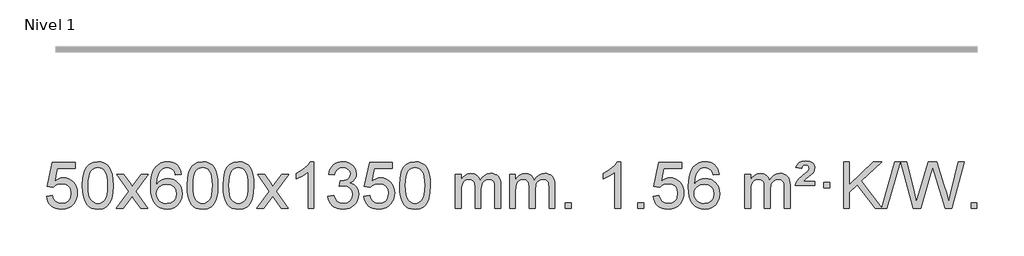
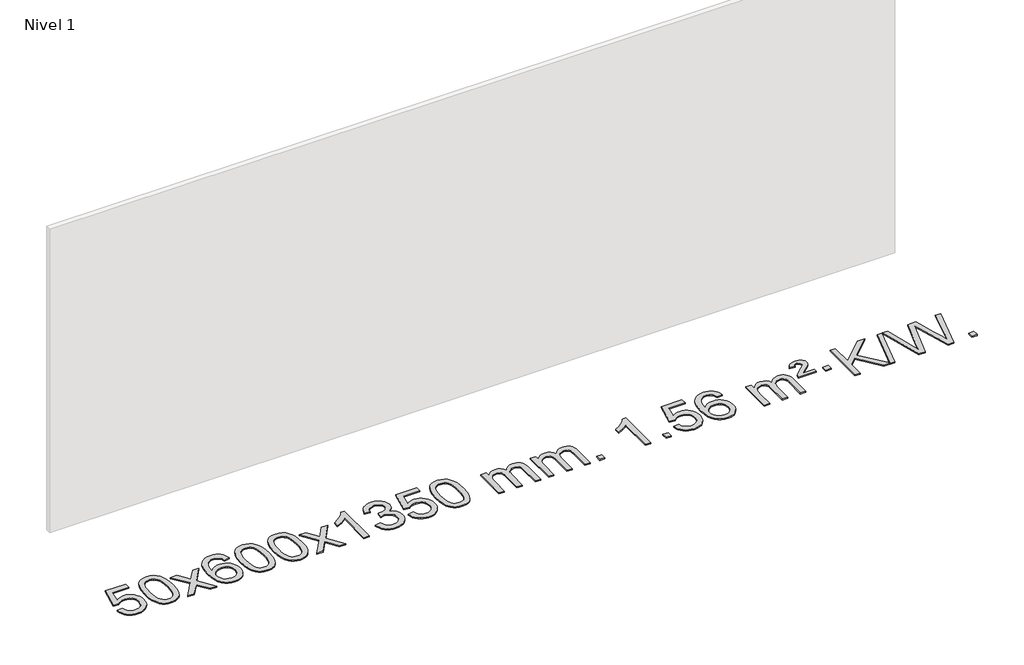
# One storey, part 13 of 18: 1 proxy.
"""IFC4 building model written with IfcOpenShell, lengths in millimetres."""

from ifc_helpers import new_model, si_unit, origin, origin_with_axes, place, context, project, spatial, polyline, outline, extrude, element, save

model = new_model("IFC4")

# Units and contexts
model_context = context("Model", 3, world=origin())
ifc_project = project(units=[si_unit("LENGTHUNIT", "METRE", prefix="MILLI")], contexts=[model_context])

# Site, building, storey
site = spatial("IfcSite", under=ifc_project)
building = spatial("IfcBuilding", under=site)
storey = spatial("IfcBuildingStorey", under=building, Name="Nivel 1", Elevation=0.0)

# Proxy
placement = place(None, origin())
element("IfcBuildingElementProxy", 1, Name="Texto de modelo 1", ObjectType="Texto de modelo 1", at=placement, inside=storey, context=model_context, shape_type="SweptSolid", body=[
    extrude(outline(polyline([(-13109.9934354, -284.8446235), (-13059.7652803, -278.5661041), (-13050.543705, -308.7201649), (-13034.454999, -330.3148381), (-13011.5727389, -343.3010725), (-12981.9705011, -347.6298173), (-12962.8406373, -346.1245668), (-12945.9671165, -341.6088153), (-12931.3499385, -334.0825628), (-12918.9891035, -323.5458094), (-12909.1605228, -310.519721), (-12902.1401081, -295.5254641), (-12896.5237763, -259.6324441), (-12901.7844888, -225.8363514), (-12908.3603795, -211.9181493), (-12917.5666264, -199.9865099), (-12929.4338865, -190.4154467), (-12943.9928164, -183.5789729), (-12981.1856861, -178.1097939), (-13005.5517369, -180.2925604), (-13025.2824746, -186.8408599), (-13041.0400868, -196.8717757), (-13053.4867609, -209.5023908), (-13103.714916, -203.2238715), (-13059.7652803, 3.9672682), (-12865.1311794, 3.9672682), (-12865.1311794, -46.2608869), (-13019.151108, -46.2608869), (-13040.6354166, -156.919791), (-13022.9096358, -144.2155994), (-13004.7546593, -135.1411769), (-12986.1704872, -129.6965234), (-12967.1571194, -127.8816388), (-12942.6960324, -130.1318504), (-12920.2276395, -136.882485), (-12899.7519408, -148.1335427), (-12881.2689362, -163.8850234), (-12865.9681109, -183.1743027), (-12855.03895, -205.038756), (-12848.4814534, -229.4783832), (-12846.2956212, -256.4931844), (-12848.2637899, -282.5147042), (-12854.1682959, -306.7213394), (-12864.0091393, -329.1130902), (-12877.78632, -349.6899565), (-12898.6574919, -370.7634634), (-12923.01128, -385.8159684), (-12950.8476843, -394.8474714), (-12982.1667048, -397.8579724), (-13008.087057, -395.9235262), (-13031.4996803, -390.1201877), (-13052.4045747, -380.447957), (-13070.8017402, -366.9068338), (-13086.1086968, -350.1712688), (-13097.7429649, -330.915712), (-13105.7045445, -309.1401636), (-13109.9934354, -284.8446235)])), origin_with_axes(), (0.0, 0.0, 1.0), 10.0),
    extrude(outline(polyline([(-12802.3459855, -193.9041943), (-12798.6549029, -129.5861588), (-12787.5816548, -78.2911459), (-12769.236606, -39.2343407), (-12757.378543, -24.0009605), (-12743.730121, -11.6309284), (-12728.2453547, -2.0598651), (-12710.8782588, 4.7766086), (-12670.4970785, 10.2457876), (-12639.5459399, 7.008426), (-12611.832163, -2.7036586), (-12588.6555973, -18.5103217), (-12571.3160926, -40.0314184), (-12558.2194935, -67.0830078), (-12547.7716449, -99.4811488), (-12540.9290398, -140.6226186), (-12538.6481714, -193.9041943), (-12542.3024659, -257.8543477), (-12553.2653493, -309.0267333), (-12571.5000336, -348.1203266), (-12583.3305054, -363.3996922), (-12596.9697304, -375.8341036), (-12612.4728908, -385.4695462), (-12629.8951689, -392.3520052), (-12670.4970785, -397.8579724), (-12698.1618045, -395.4667394), (-12722.6872709, -388.2930405), (-12744.0734775, -376.3368757), (-12762.3204245, -359.5982449), (-12779.8316074, -329.3399508), (-12792.3395953, -291.6381776), (-12799.844388, -246.4929255), (-12802.3459855, -193.9041943)]), holes=[polyline([(-12752.1178305, -193.8060924), (-12750.6463025, -237.4706195), (-12746.2317185, -272.8148822), (-12738.8740786, -299.8388804), (-12728.5733828, -318.5426142), (-12716.1144459, -331.2682656), (-12702.2820829, -340.3580165), (-12687.0762937, -345.8118671), (-12670.4970785, -347.6298173), (-12653.9178632, -345.8057357), (-12638.7120741, -340.3334911), (-12624.8797111, -331.2130833), (-12612.4207742, -318.4445124), (-12602.1200783, -299.7101217), (-12594.7624384, -272.6922549), (-12590.3478545, -237.3909118), (-12588.8763265, -193.8060924), (-12590.2988035, -151.2973278), (-12594.5662347, -116.5753989), (-12601.6786199, -89.6403055), (-12611.6359592, -70.4920476), (-12623.8864297, -57.1440625), (-12637.8782082, -47.6097875), (-12653.6112949, -41.8892225), (-12671.0856897, -39.9823675), (-12687.5790658, -41.6623619), (-12702.5273375, -46.7023452), (-12715.9305049, -55.1023175), (-12727.7885679, -66.8622786), (-12738.4326203, -87.708925), (-12746.0355148, -115.8151094), (-12750.5972516, -151.1808319), (-12752.1178305, -193.8060924)])]), origin_with_axes(), (0.0, 0.0, 1.0), 10.0),
    extrude(outline(polyline([(-12513.5340939, -391.579453), (-12406.2106531, -243.2494325), (-12507.2555745, -96.4890419), (-12446.8248254, -96.4890419), (-12398.0681983, -167.122385), (-12375.3085655, -200.4770192), (-12355.5900906, -173.2047007), (-12300.0644348, -96.4890419), (-12239.6336857, -96.4890419), (-12345.7799041, -243.2494325), (-12243.5577603, -391.579453), (-12303.9885094, -391.579453), (-12365.498379, -302.4048574), (-12376.7800935, -286.1199477), (-12453.1033448, -391.579453), (-12513.5340939, -391.579453)])), origin_with_axes(), (0.0, 0.0, 1.0), 10.0),
    extrude(outline(polyline([(-11954.7458687, -96.4890419), (-12004.9740237, -102.7675613), (-12013.0674276, -77.874213), (-12024.0057856, -60.8780648), (-12046.7899439, -45.2062918), (-12074.3320426, -39.9823675), (-12097.6802865, -43.0235253), (-12119.6551044, -52.1469988), (-12138.5274507, -71.3627017), (-12153.9417063, -97.8134171), (-12164.3527668, -135.227016), (-12168.2155277, -187.3313693), (-12148.0678571, -163.8237098), (-12123.9225355, -147.2567573), (-12097.1284635, -137.434308), (-12069.0345418, -134.1601582), (-12044.9014829, -136.398107), (-12022.6323595, -143.1119534), (-12002.2271715, -154.3016975), (-11983.6859189, -169.9673391), (-11968.2777947, -189.1769106), (-11957.2719917, -210.9984443), (-11950.6685099, -235.4319401), (-11948.4673493, -262.4773982), (-11952.6121531, -298.4439945), (-11965.0465645, -331.786366), (-11984.740514, -360.0642287), (-12010.6639319, -380.8372987), (-12041.6395959, -393.602804), (-12076.4902836, -397.8579724), (-12106.4328123, -395.0375437), (-12133.4752046, -386.5762579), (-12157.6174606, -372.4741147), (-12178.8595801, -352.7311143), (-12196.177625, -326.5133908), (-12208.5476571, -292.9870783), (-12215.9696764, -252.1521768), (-12218.4436828, -204.0086864), (-12215.6968306, -150.0342663), (-12207.4562739, -103.9693092), (-12193.7220127, -65.8138149), (-12174.4940471, -35.5677835), (-12153.6535321, -15.5243462), (-12129.4898164, -1.2076052), (-12102.0029, 7.3824394), (-12071.1927829, 10.2457876), (-12048.0591367, 8.4738227), (-12027.1205198, 3.1579278), (-12008.3769322, -5.7018969), (-11991.8283738, -18.1056515), (-11977.9224344, -33.6364031), (-11967.1067037, -51.8772186), (-11959.3811818, -72.8280983), (-11954.7458687, -96.4890419)]), holes=[polyline([(-12168.2155277, -261.6925832), (-12165.30926, -283.9494439), (-12156.5904567, -305.2007605), (-12143.0523993, -323.472233), (-12125.6883691, -336.7895612), (-12104.7313581, -344.9197533), (-12080.4143582, -347.6298173), (-12047.2681904, -342.0134855), (-12033.353054, -334.9930708), (-12021.2098825, -325.1644901), (-12011.359842, -312.9262824), (-12004.3240989, -298.6769865), (-11998.6955043, -264.1451299), (-12004.2505225, -230.9989621), (-12011.1942951, -217.3781312), (-12020.9155769, -205.725469), (-12033.0955366, -196.3904634), (-12047.4153432, -189.7226022), (-12082.4744974, -184.3883133), (-12115.5716142, -189.7226022), (-12143.248603, -205.725469), (-12154.1716326, -217.2248471), (-12161.9737965, -230.3858254), (-12166.6550949, -245.2084042), (-12168.2155277, -261.6925832)])]), origin_with_axes(), (0.0, 0.0, 1.0), 10.0),
    extrude(outline(polyline([(-11904.5177136, -193.9041943), (-11900.8266309, -129.5861588), (-11889.7533828, -78.2911459), (-11871.408334, -39.2343407), (-11859.550271, -24.0009605), (-11845.901849, -11.6309284), (-11830.4170827, -2.0598651), (-11813.0499869, 4.7766086), (-11772.6688065, 10.2457876), (-11741.717668, 7.008426), (-11714.003891, -2.7036586), (-11690.8273253, -18.5103217), (-11673.4878206, -40.0314184), (-11660.3912216, -67.0830078), (-11649.9433729, -99.4811488), (-11643.1007678, -140.6226186), (-11640.8198994, -193.9041943), (-11644.4741939, -257.8543477), (-11655.4370774, -309.0267333), (-11673.6717616, -348.1203266), (-11685.5022334, -363.3996922), (-11699.1414584, -375.8341036), (-11714.6446188, -385.4695462), (-11732.066897, -392.3520052), (-11772.6688065, -397.8579724), (-11800.3335326, -395.4667394), (-11824.8589989, -388.2930405), (-11846.2452055, -376.3368757), (-11864.4921525, -359.5982449), (-11882.0033355, -329.3399508), (-11894.5113233, -291.6381776), (-11902.016116, -246.4929255), (-11904.5177136, -193.9041943)]), holes=[polyline([(-11854.2895585, -193.8060924), (-11852.8180305, -237.4706195), (-11848.4034466, -272.8148822), (-11841.0458067, -299.8388804), (-11830.7451108, -318.5426142), (-11818.2861739, -331.2682656), (-11804.4538109, -340.3580165), (-11789.2480218, -345.8118671), (-11772.6688065, -347.6298173), (-11756.0895913, -345.8057357), (-11740.8838021, -340.3334911), (-11727.0514391, -331.2130833), (-11714.5925022, -318.4445124), (-11704.2918063, -299.7101217), (-11696.9341664, -272.6922549), (-11692.5195825, -237.3909118), (-11691.0480545, -193.8060924), (-11692.4705316, -151.2973278), (-11696.7379627, -116.5753989), (-11703.8503479, -89.6403055), (-11713.8076873, -70.4920476), (-11726.0581577, -57.1440625), (-11740.0499363, -47.6097875), (-11755.7830229, -41.8892225), (-11773.2574177, -39.9823675), (-11789.7507938, -41.6623619), (-11804.6990656, -46.7023452), (-11818.1022329, -55.1023175), (-11829.9602959, -66.8622786), (-11840.6043483, -87.708925), (-11848.2072429, -115.8151094), (-11852.7689796, -151.1808319), (-11854.2895585, -193.8060924)])]), origin_with_axes(), (0.0, 0.0, 1.0), 10.0),
    extrude(outline(polyline([(-11596.8702638, -193.9041943), (-11593.1791811, -129.5861588), (-11582.105933, -78.2911459), (-11563.7608842, -39.2343407), (-11551.9028212, -24.0009605), (-11538.2543992, -11.6309284), (-11522.7696329, -2.0598651), (-11505.402537, 4.7766086), (-11465.0213567, 10.2457876), (-11434.0702182, 7.008426), (-11406.3564412, -2.7036586), (-11383.1798755, -18.5103217), (-11365.8403708, -40.0314184), (-11352.7437718, -67.0830078), (-11342.2959231, -99.4811488), (-11335.453318, -140.6226186), (-11333.1724496, -193.9041943), (-11336.8267441, -257.8543477), (-11347.7896275, -309.0267333), (-11366.0243118, -348.1203266), (-11377.8547836, -363.3996922), (-11391.4940086, -375.8341036), (-11406.997169, -385.4695462), (-11424.4194471, -392.3520052), (-11465.0213567, -397.8579724), (-11492.6860827, -395.4667394), (-11517.2115491, -388.2930405), (-11538.5977557, -376.3368757), (-11556.8447027, -359.5982449), (-11574.3558856, -329.3399508), (-11586.8638735, -291.6381776), (-11594.3686662, -246.4929255), (-11596.8702638, -193.9041943)]), holes=[polyline([(-11546.6421087, -193.8060924), (-11545.1705807, -237.4706195), (-11540.7559968, -272.8148822), (-11533.3983568, -299.8388804), (-11523.097661, -318.5426142), (-11510.6387241, -331.2682656), (-11496.8063611, -340.3580165), (-11481.6005719, -345.8118671), (-11465.0213567, -347.6298173), (-11448.4421414, -345.8057357), (-11433.2363523, -340.3334911), (-11419.4039893, -331.2130833), (-11406.9450524, -318.4445124), (-11396.6443565, -299.7101217), (-11389.2867166, -272.6922549), (-11384.8721327, -237.3909118), (-11383.4006047, -193.8060924), (-11384.8230817, -151.2973278), (-11389.0905129, -116.5753989), (-11396.2028981, -89.6403055), (-11406.1602375, -70.4920476), (-11418.4107079, -57.1440625), (-11432.4024864, -47.6097875), (-11448.1355731, -41.8892225), (-11465.6099679, -39.9823675), (-11482.103344, -41.6623619), (-11497.0516157, -46.7023452), (-11510.4547831, -55.1023175), (-11522.3128461, -66.8622786), (-11532.9568985, -87.708925), (-11540.559793, -115.8151094), (-11545.1215298, -151.1808319), (-11546.6421087, -193.8060924)])]), origin_with_axes(), (0.0, 0.0, 1.0), 10.0),
    extrude(outline(polyline([(-11308.0583721, -391.579453), (-11200.7349313, -243.2494325), (-11301.7798527, -96.4890419), (-11241.3491036, -96.4890419), (-11192.5924765, -167.122385), (-11169.8328437, -200.4770192), (-11150.1143688, -173.2047007), (-11094.588713, -96.4890419), (-11034.1579639, -96.4890419), (-11140.3041823, -243.2494325), (-11038.0820385, -391.579453), (-11098.5127876, -391.579453), (-11160.0226572, -302.4048574), (-11171.3043717, -286.1199477), (-11247.627623, -391.579453), (-11308.0583721, -391.579453)])), origin_with_axes(), (0.0, 0.0, 1.0), 10.0),
    extrude(outline(polyline([(-10818.3338601, -391.579453), (-10868.5620152, -391.579453), (-10868.5620152, -78.4382987), (-10889.5312889, -95.3976587), (-10916.1414199, -112.3324932), (-10969.0183253, -137.6918254), (-10969.0183253, -90.2105225), (-10929.5691127, -68.7507395), (-10895.3928753, -43.219729), (-10868.4516506, -16.0700378), (-10850.7074757, 10.2457876), (-10818.3338601, 10.2457876), (-10818.3338601, -391.579453)])), origin_with_axes(), (0.0, 0.0, 1.0), 10.0),
    extrude(outline(polyline([(-10699.0419918, -284.8446235), (-10648.8138367, -278.5661041), (-10637.5689104, -310.1303793), (-10621.1000597, -331.4430095), (-10598.5979444, -343.5831154), (-10569.2532239, -347.6298173), (-10534.8194691, -342.0625364), (-10520.5456477, -335.1034354), (-10508.2338636, -325.3606939), (-10491.2377154, -300.4428201), (-10485.5723327, -270.2274455), (-10491.1886645, -241.5449126), (-10508.0376599, -218.2825078), (-10533.5441449, -202.8682522), (-10565.1329455, -197.730167), (-10600.3515152, -203.2238715), (-10594.7597089, -152.9957164), (-10586.7153559, -153.5843276), (-10556.6226087, -149.979084), (-10529.7181721, -139.1633534), (-10518.6449241, -130.9841103), (-10510.7354612, -120.8673555), (-10505.9897835, -108.8130888), (-10504.4078909, -94.8213102), (-10508.9941531, -73.1285352), (-10522.7529397, -55.5315131), (-10543.7467389, -43.8696539), (-10570.0380388, -39.9823675), (-10596.3783897, -43.9064421), (-10617.9117491, -55.6786659), (-10633.632573, -75.299039), (-10642.5353173, -102.7675613), (-10692.7634724, -96.4890419), (-10686.8099154, -72.5092672), (-10677.9746162, -51.3867093), (-10666.2575747, -33.1213683), (-10651.6587908, -17.713244), (-10634.6381172, -5.4811677), (-10615.6554062, 3.2560297), (-10594.710658, 8.4983481), (-10571.8038724, 10.2457876), (-10540.2273345, 6.7999596), (-10511.2259705, -3.5375245), (-10486.7740806, -19.8469596), (-10468.8459647, -41.2086408), (-10457.846293, -65.8199463), (-10454.1797358, -91.8782543), (-10457.662352, -116.1584659), (-10468.1102007, -138.1823347), (-10485.376129, -156.9443165), (-10509.3129841, -171.4388671), (-10477.8713363, -184.1430586), (-10454.5721433, -205.77452), (-10440.151169, -235.1560286), (-10435.3441776, -271.1103623), (-10437.7476733, -296.5923218), (-10444.9581605, -320.0631931), (-10456.975639, -341.5229762), (-10473.8001089, -360.971671), (-10494.2972674, -377.1094278), (-10517.3328116, -388.636397), (-10542.9067417, -395.5525785), (-10571.0190575, -397.8579724), (-10596.4274406, -395.8898037), (-10619.5794808, -389.9852977), (-10640.4751782, -380.1444543), (-10659.1145326, -366.3672736), (-10674.743386, -349.4630959), (-10686.6075804, -330.2412617), (-10694.7071156, -308.7017708), (-10699.0419918, -284.8446235)])), origin_with_axes(), (0.0, 0.0, 1.0), 10.0),
    extrude(outline(polyline([(-10391.394542, -284.8446235), (-10341.1663869, -278.5661041), (-10331.9448115, -308.7201649), (-10315.8561056, -330.3148381), (-10292.9738455, -343.3010725), (-10263.3716076, -347.6298173), (-10244.2417439, -346.1245668), (-10227.368223, -341.6088153), (-10212.7510451, -334.0825628), (-10200.3902101, -323.5458094), (-10190.5616294, -310.519721), (-10183.5412147, -295.5254641), (-10177.9248829, -259.6324441), (-10183.1855954, -225.8363514), (-10189.7614861, -211.9181493), (-10198.967733, -199.9865099), (-10210.834993, -190.4154467), (-10225.393923, -183.5789729), (-10262.5867927, -178.1097939), (-10286.9528435, -180.2925604), (-10306.6835812, -186.8408599), (-10322.4411933, -196.8717757), (-10334.8878675, -209.5023908), (-10385.1160226, -203.2238715), (-10341.1663869, 3.9672682), (-10146.532286, 3.9672682), (-10146.532286, -46.2608869), (-10300.5522146, -46.2608869), (-10322.0365231, -156.919791), (-10304.3107423, -144.2155994), (-10286.1557659, -135.1411769), (-10267.5715937, -129.6965234), (-10248.558226, -127.8816388), (-10224.097139, -130.1318504), (-10201.6287461, -136.882485), (-10181.1530474, -148.1335427), (-10162.6700428, -163.8850234), (-10147.3692175, -183.1743027), (-10136.4400566, -205.038756), (-10129.88256, -229.4783832), (-10127.6967278, -256.4931844), (-10129.6648965, -282.5147042), (-10135.5694025, -306.7213394), (-10145.4102459, -329.1130902), (-10159.1874266, -349.6899565), (-10180.0585985, -370.7634634), (-10204.4123865, -385.8159684), (-10232.2487908, -394.8474714), (-10263.5678114, -397.8579724), (-10289.4881636, -395.9235262), (-10312.9007869, -390.1201877), (-10333.8056813, -380.447957), (-10352.2028467, -366.9068338), (-10367.5098034, -350.1712688), (-10379.1440715, -330.915712), (-10387.105651, -309.1401636), (-10391.394542, -284.8446235)])), origin_with_axes(), (0.0, 0.0, 1.0), 10.0),
    extrude(outline(polyline([(-10083.7470921, -193.9041943), (-10080.0560094, -129.5861588), (-10068.9827614, -78.2911459), (-10050.6377126, -39.2343407), (-10038.7796496, -24.0009605), (-10025.1312276, -11.6309284), (-10009.6464612, -2.0598651), (-9992.2793654, 4.7766086), (-9951.8981851, 10.2457876), (-9920.9470465, 7.008426), (-9893.2332696, -2.7036586), (-9870.0567039, -18.5103217), (-9852.7171992, -40.0314184), (-9839.6206001, -67.0830078), (-9829.1727515, -99.4811488), (-9822.3301463, -140.6226186), (-9820.049278, -193.9041943), (-9823.7035725, -257.8543477), (-9834.6664559, -309.0267333), (-9852.9011401, -348.1203266), (-9864.731612, -363.3996922), (-9878.3708369, -375.8341036), (-9893.8739974, -385.4695462), (-9911.2962755, -392.3520052), (-9951.8981851, -397.8579724), (-9979.5629111, -395.4667394), (-10004.0883774, -388.2930405), (-10025.4745841, -376.3368757), (-10043.721531, -359.5982449), (-10061.232714, -329.3399508), (-10073.7407019, -291.6381776), (-10081.2454946, -246.4929255), (-10083.7470921, -193.9041943)]), holes=[polyline([(-10033.518937, -193.8060924), (-10032.0474091, -237.4706195), (-10027.6328251, -272.8148822), (-10020.2751852, -299.8388804), (-10009.9744894, -318.5426142), (-9997.5155525, -331.2682656), (-9983.6831894, -340.3580165), (-9968.4774003, -345.8118671), (-9951.8981851, -347.6298173), (-9935.3189698, -345.8057357), (-9920.1131807, -340.3334911), (-9906.2808176, -331.2130833), (-9893.8218807, -318.4445124), (-9883.5211849, -299.7101217), (-9876.163545, -272.6922549), (-9871.748961, -237.3909118), (-9870.2774331, -193.8060924), (-9871.6999101, -151.2973278), (-9875.9673412, -116.5753989), (-9883.0797265, -89.6403055), (-9893.0370658, -70.4920476), (-9905.2875363, -57.1440625), (-9919.2793148, -47.6097875), (-9935.0124015, -41.8892225), (-9952.4867962, -39.9823675), (-9968.9801724, -41.6623619), (-9983.9284441, -46.7023452), (-9997.3316115, -55.1023175), (-10009.1896744, -66.8622786), (-10019.8337268, -87.708925), (-10027.4366214, -115.8151094), (-10031.9983581, -151.1808319), (-10033.518937, -193.8060924)])]), origin_with_axes(), (0.0, 0.0, 1.0), 10.0),
    extrude(outline(polyline([(-9606.5796189, -391.579453), (-9606.5796189, -96.4890419), (-9556.3514638, -96.4890419), (-9556.3514638, -145.0494653), (-9541.2437766, -122.7435537), (-9521.8196072, -105.2691589), (-9498.7411434, -93.9751816), (-9472.6705727, -90.2105225), (-9444.7360665, -94.048758), (-9422.3443157, -105.5634645), (-9405.6179477, -123.9943524), (-9394.6795897, -148.5811324), (-9376.3713291, -123.0439906), (-9355.4878945, -104.803175), (-9332.0292859, -93.8586857), (-9305.9955034, -90.2105225), (-9285.8876867, -91.7280358), (-9268.2385479, -96.2805755), (-9253.0480872, -103.8681416), (-9240.3163045, -114.4907342), (-9230.2516663, -128.2709806), (-9223.0626389, -145.3315082), (-9218.7492225, -165.6723168), (-9217.3114171, -189.2934066), (-9217.3114171, -391.579453), (-9267.5395722, -391.579453), (-9267.5395722, -210.875817), (-9268.7045318, -185.8230531), (-9272.1994108, -168.9372695), (-9278.7477103, -157.3735121), (-9289.0729316, -148.2868268), (-9302.3534716, -142.4007149), (-9317.7677272, -140.4386776), (-9344.9787321, -145.4663982), (-9367.1620165, -160.54956), (-9375.7673895, -172.1194488), (-9381.9140845, -186.7182326), (-9386.8314405, -225.0024856), (-9386.8314405, -391.579453), (-9437.0595955, -391.579453), (-9437.0595955, -205.2840106), (-9439.9658633, -176.8835206), (-9448.6846666, -156.6254854), (-9464.0253458, -144.4853796), (-9486.7972413, -140.4386776), (-9506.1478342, -143.1364789), (-9523.9778483, -151.2298828), (-9538.6931281, -164.5226856), (-9548.6995183, -182.8186835), (-9554.4384775, -208.2025411), (-9556.3514638, -242.7589232), (-9556.3514638, -391.579453), (-9606.5796189, -391.579453)])), origin_with_axes(), (0.0, 0.0, 1.0), 10.0),
    extrude(outline(polyline([(-9141.9691845, -391.579453), (-9141.9691845, -96.4890419), (-9091.7410294, -96.4890419), (-9091.7410294, -145.0494653), (-9076.6333421, -122.7435537), (-9057.2091728, -105.2691589), (-9034.130709, -93.9751816), (-9008.0601382, -90.2105225), (-8980.1256321, -94.048758), (-8957.7338813, -105.5634645), (-8941.0075132, -123.9943524), (-8930.0691552, -148.5811324), (-8911.7608946, -123.0439906), (-8890.87746, -104.803175), (-8867.4188515, -93.8586857), (-8841.3850689, -90.2105225), (-8821.2772522, -91.7280358), (-8803.6281135, -96.2805755), (-8788.4376528, -103.8681416), (-8775.7058701, -114.4907342), (-8765.6412318, -128.2709806), (-8758.4522045, -145.3315082), (-8754.1387881, -165.6723168), (-8752.7009826, -189.2934066), (-8752.7009826, -391.579453), (-8802.9291377, -391.579453), (-8802.9291377, -210.875817), (-8804.0940974, -185.8230531), (-8807.5889763, -168.9372695), (-8814.1372758, -157.3735121), (-8824.4624972, -148.2868268), (-8837.7430372, -142.4007149), (-8853.1572928, -140.4386776), (-8880.3682977, -145.4663982), (-8902.551582, -160.54956), (-8911.156955, -172.1194488), (-8917.30365, -186.7182326), (-8922.221006, -225.0024856), (-8922.221006, -391.579453), (-8972.4491611, -391.579453), (-8972.4491611, -205.2840106), (-8975.3554289, -176.8835206), (-8984.0742321, -156.6254854), (-8999.4149113, -144.4853796), (-9022.1868068, -140.4386776), (-9041.5373998, -143.1364789), (-9059.3674138, -151.2298828), (-9074.0826936, -164.5226856), (-9084.0890839, -182.8186835), (-9089.828043, -208.2025411), (-9091.7410294, -242.7589232), (-9091.7410294, -391.579453), (-9141.9691845, -391.579453)])), origin_with_axes(), (0.0, 0.0, 1.0), 10.0),
    extrude(outline(polyline([(-8664.8017113, -391.579453), (-8664.8017113, -341.3512979), (-8614.5735562, -341.3512979), (-8614.5735562, -391.579453), (-8664.8017113, -391.579453)])), origin_with_axes(), (0.0, 0.0, 1.0), 10.0),
    extrude(outline(polyline([(-8187.634238, -391.579453), (-8237.8623931, -391.579453), (-8237.8623931, -78.4382987), (-8258.8316668, -95.3976587), (-8285.4417978, -112.3324932), (-8338.3187033, -137.6918254), (-8338.3187033, -90.2105225), (-8298.8694907, -68.7507395), (-8264.6932533, -43.219729), (-8237.7520285, -16.0700378), (-8220.0078536, 10.2457876), (-8187.634238, 10.2457876), (-8187.634238, -391.579453)])), origin_with_axes(), (0.0, 0.0, 1.0), 10.0),
    extrude(outline(polyline([(-8043.2282922, -391.579453), (-8043.2282922, -341.3512979), (-7993.0001371, -341.3512979), (-7993.0001371, -391.579453), (-8043.2282922, -391.579453)])), origin_with_axes(), (0.0, 0.0, 1.0), 10.0),
    extrude(outline(polyline([(-7911.3793851, -284.8446235), (-7861.1512301, -278.5661041), (-7851.9296547, -308.7201649), (-7835.8409488, -330.3148381), (-7812.9586887, -343.3010725), (-7783.3564508, -347.6298173), (-7764.2265871, -346.1245668), (-7747.3530662, -341.6088153), (-7732.7358883, -334.0825628), (-7720.3750532, -323.5458094), (-7710.5464726, -310.519721), (-7703.5260579, -295.5254641), (-7697.9097261, -259.6324441), (-7703.1704386, -225.8363514), (-7709.7463293, -211.9181493), (-7718.9525762, -199.9865099), (-7730.8198362, -190.4154467), (-7745.3787662, -183.5789729), (-7782.5716359, -178.1097939), (-7806.9376867, -180.2925604), (-7826.6684244, -186.8408599), (-7842.4260365, -196.8717757), (-7854.8727107, -209.5023908), (-7905.1008658, -203.2238715), (-7861.1512301, 3.9672682), (-7666.5171291, 3.9672682), (-7666.5171291, -46.2608869), (-7820.5370578, -46.2608869), (-7842.0213663, -156.919791), (-7824.2955855, -144.2155994), (-7806.1406091, -135.1411769), (-7787.5564369, -129.6965234), (-7768.5430691, -127.8816388), (-7744.0819821, -130.1318504), (-7721.6135893, -136.882485), (-7701.1378906, -148.1335427), (-7682.654886, -163.8850234), (-7667.3540607, -183.1743027), (-7656.4248997, -205.038756), (-7649.8674032, -229.4783832), (-7647.681571, -256.4931844), (-7649.6497397, -282.5147042), (-7655.5542457, -306.7213394), (-7665.3950891, -329.1130902), (-7679.1722698, -349.6899565), (-7700.0434416, -370.7634634), (-7724.3972297, -385.8159684), (-7752.233634, -394.8474714), (-7783.5526545, -397.8579724), (-7809.4730068, -395.9235262), (-7832.8856301, -390.1201877), (-7853.7905245, -380.447957), (-7872.1876899, -366.9068338), (-7887.4946466, -350.1712688), (-7899.1289147, -330.915712), (-7907.0904942, -309.1401636), (-7911.3793851, -284.8446235)])), origin_with_axes(), (0.0, 0.0, 1.0), 10.0),
    extrude(outline(polyline([(-7346.3126405, -96.4890419), (-7396.5407956, -102.7675613), (-7404.6341995, -77.874213), (-7415.5725575, -60.8780648), (-7438.3567157, -45.2062918), (-7465.8988144, -39.9823675), (-7489.2470584, -43.0235253), (-7511.2218763, -52.1469988), (-7530.0942226, -71.3627017), (-7545.5084782, -97.8134171), (-7555.9195387, -135.227016), (-7559.7822996, -187.3313693), (-7539.634629, -163.8237098), (-7515.4893074, -147.2567573), (-7488.6952354, -137.434308), (-7460.6013137, -134.1601582), (-7436.4682548, -136.398107), (-7414.1991314, -143.1119534), (-7393.7939434, -154.3016975), (-7375.2526908, -169.9673391), (-7359.8445666, -189.1769106), (-7348.8387636, -210.9984443), (-7342.2352818, -235.4319401), (-7340.0341212, -262.4773982), (-7344.178925, -298.4439945), (-7356.6133364, -331.786366), (-7376.3072859, -360.0642287), (-7402.2307038, -380.8372987), (-7433.2063678, -393.602804), (-7468.0570555, -397.8579724), (-7497.9995842, -395.0375437), (-7525.0419765, -386.5762579), (-7549.1842325, -372.4741147), (-7570.426352, -352.7311143), (-7587.7443969, -326.5133908), (-7600.114429, -292.9870783), (-7607.5364483, -252.1521768), (-7610.0104547, -204.0086864), (-7607.2636025, -150.0342663), (-7599.0230458, -103.9693092), (-7585.2887846, -65.8138149), (-7566.060819, -35.5677835), (-7545.220304, -15.5243462), (-7521.0565883, -1.2076052), (-7493.5696718, 7.3824394), (-7462.7595548, 10.2457876), (-7439.6259086, 8.4738227), (-7418.6872917, 3.1579278), (-7399.9437041, -5.7018969), (-7383.3951457, -18.1056515), (-7369.4892062, -33.6364031), (-7358.6734756, -51.8772186), (-7350.9479537, -72.8280983), (-7346.3126405, -96.4890419)]), holes=[polyline([(-7559.7822996, -261.6925832), (-7556.8760319, -283.9494439), (-7548.1572286, -305.2007605), (-7534.6191711, -323.472233), (-7517.255141, -336.7895612), (-7496.29813, -344.9197533), (-7471.9811301, -347.6298173), (-7438.8349623, -342.0134855), (-7424.9198259, -334.9930708), (-7412.7766543, -325.1644901), (-7402.9266139, -312.9262824), (-7395.8908708, -298.6769865), (-7390.2622762, -264.1451299), (-7395.8172944, -230.9989621), (-7402.761067, -217.3781312), (-7412.4823487, -205.725469), (-7424.6623085, -196.3904634), (-7438.9821151, -189.7226022), (-7474.0412693, -184.3883133), (-7507.1383861, -189.7226022), (-7534.8153749, -205.725469), (-7545.7384044, -217.2248471), (-7553.5405684, -230.3858254), (-7558.2218668, -245.2084042), (-7559.7822996, -261.6925832)])]), origin_with_axes(), (0.0, 0.0, 1.0), 10.0),
    extrude(outline(polyline([(-7126.5644621, -391.579453), (-7126.5644621, -96.4890419), (-7076.336307, -96.4890419), (-7076.336307, -145.0494653), (-7061.2286197, -122.7435537), (-7041.8044504, -105.2691589), (-7018.7259866, -93.9751816), (-6992.6554158, -90.2105225), (-6964.7209097, -94.048758), (-6942.3291589, -105.5634645), (-6925.6027909, -123.9943524), (-6914.6644329, -148.5811324), (-6896.3561722, -123.0439906), (-6875.4727377, -104.803175), (-6852.0141291, -93.8586857), (-6825.9803466, -90.2105225), (-6805.8725298, -91.7280358), (-6788.2233911, -96.2805755), (-6773.0329304, -103.8681416), (-6760.3011477, -114.4907342), (-6750.2365094, -128.2709806), (-6743.0474821, -145.3315082), (-6738.7340657, -165.6723168), (-6737.2962603, -189.2934066), (-6737.2962603, -391.579453), (-6787.5244153, -391.579453), (-6787.5244153, -210.875817), (-6788.689375, -185.8230531), (-6792.1842539, -168.9372695), (-6798.7325535, -157.3735121), (-6809.0577748, -148.2868268), (-6822.3383148, -142.4007149), (-6837.7525704, -140.4386776), (-6864.9635753, -145.4663982), (-6887.1468596, -160.54956), (-6895.7522326, -172.1194488), (-6901.8989276, -186.7182326), (-6906.8162836, -225.0024856), (-6906.8162836, -391.579453), (-6957.0444387, -391.579453), (-6957.0444387, -205.2840106), (-6959.9507065, -176.8835206), (-6968.6695098, -156.6254854), (-6984.010189, -144.4853796), (-7006.7820845, -140.4386776), (-7026.1326774, -143.1364789), (-7043.9626914, -151.2298828), (-7058.6779713, -164.5226856), (-7068.6843615, -182.8186835), (-7074.4233206, -208.2025411), (-7076.336307, -242.7589232), (-7076.336307, -391.579453), (-7126.5644621, -391.579453)])), origin_with_axes(), (0.0, 0.0, 1.0), 10.0),
    extrude(outline(polyline([(-6693.3466246, -190.6668327), (-6689.5206518, -174.8479069), (-6681.1819933, -158.9799302), (-6659.6731593, -133.8413272), (-6627.7164766, -106.1030247), (-6583.5706372, -68.726214), (-6576.4337265, -57.1992448), (-6574.0547563, -45.3779701), (-6575.9432172, -33.2869152), (-6581.6085999, -23.5012541), (-6590.977328, -17.026531), (-6603.9758252, -14.8682899), (-6616.4102366, -16.4869707), (-6625.26393, -21.343013), (-6631.6896022, -30.8098431), (-6636.8399501, -46.2608869), (-6687.0681052, -39.9823675), (-6676.2278491, -14.7701881), (-6659.5995829, 2.7900458), (-6635.834406, 13.0907417), (-6603.5834178, 16.524307), (-6567.8007624, 12.3917659), (-6543.0545668, -0.0058573), (-6528.6335926, -18.3386434), (-6523.8266012, -40.2766731), (-6527.9223541, -63.1834586), (-6540.2096127, -84.8149199), (-6560.737428, -104.6314968), (-6597.2067965, -132.6886303), (-6622.8113834, -159.2742358), (-6523.8266012, -159.2742358), (-6523.8266012, -190.6668327), (-6693.3466246, -190.6668327)])), origin_with_axes(), (0.0, 0.0, 1.0), 10.0),
    extrude(outline(polyline([(-6448.4843686, -215.7809102), (-6448.4843686, -165.5527552), (-6398.2562135, -165.5527552), (-6398.2562135, -215.7809102), (-6448.4843686, -215.7809102)])), origin_with_axes(), (0.0, 0.0, 1.0), 10.0),
    extrude(outline(polyline([(-6007.6145856, -391.579453), (-6161.045903, -188.9009991), (-6228.7361901, -253.4520265), (-6228.7361901, -391.579453), (-6278.9643452, -391.579453), (-6278.9643452, 10.2457876), (-6228.7361901, 10.2457876), (-6228.7361901, -186.4484525), (-6022.7222728, 10.2457876), (-5952.4813372, 10.2457876), (-6125.4349259, -154.9577537), (-5950.781316, -385.5349332), (-5839.4679883, 10.2457876), (-5794.1449265, 10.2457876), (-5907.1582754, -391.579453), (-5946.2028178, -391.579453), (-5952.4813372, -391.579453), (-6007.6145856, -391.579453)])), origin_with_axes(), (0.0, 0.0, 1.0), 10.0),
    extrude(outline(polyline([(-5679.6600496, -391.579453), (-5789.2398332, 10.2457876), (-5737.4420483, 10.2457876), (-5673.8720395, -253.844434), (-5654.2516665, -335.3670841), (-5633.2578673, -263.2622131), (-5553.5991526, 10.2457876), (-5478.943633, 10.2457876), (-5421.0635325, -188.0180823), (-5396.268286, -261.5944814), (-5377.9968136, -335.3670841), (-5358.9650517, -256.1988788), (-5294.8064317, 10.2457876), (-5243.0086468, 10.2457876), (-5352.6865323, -391.579453), (-5406.3482526, -391.579453), (-5502.6842845, -81.5775584), (-5516.12424, -38.3146358), (-5531.2319273, -90.4067263), (-5619.0330968, -391.579453), (-5679.6600496, -391.579453)])), origin_with_axes(), (0.0, 0.0, 1.0), 10.0),
    extrude(outline(polyline([(-5186.5019723, -391.579453), (-5186.5019723, -341.3512979), (-5136.2738173, -341.3512979), (-5136.2738173, -391.579453), (-5186.5019723, -391.579453)])), origin_with_axes(), (0.0, 0.0, 1.0), 10.0),
])

save(model, "model.ifc")
